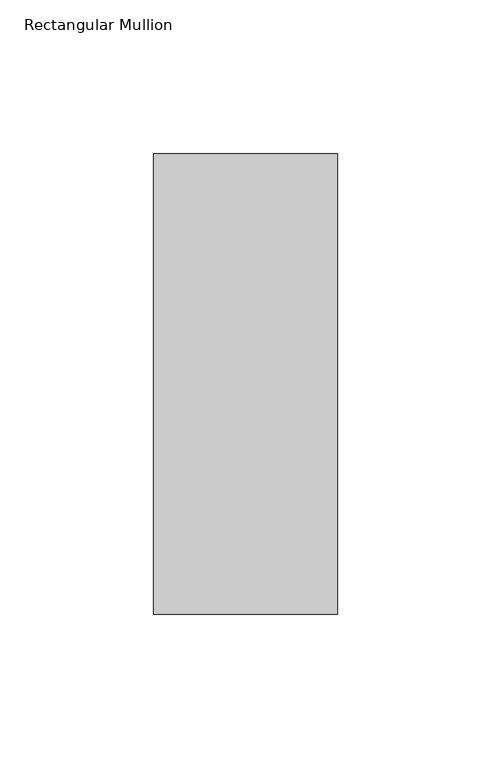
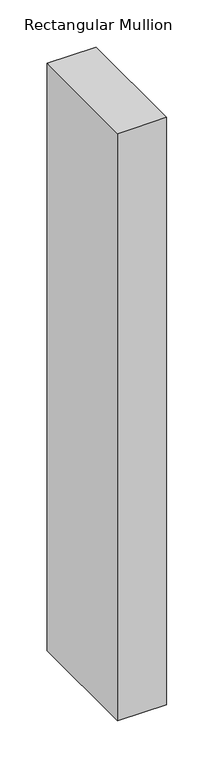
"""IFC4 building model written with IfcOpenShell, lengths in millimetres: member geometry, Rectangular Mullion."""

from ifc_helpers import new_model, si_unit, frame, origin, place, context, project, spatial, polyline, outline, extrude, source, transform, mapped, element, save


def rectangular_mullion_715885d1(model_context):
    return source(origin(), model_context, "Body", "SweptSolid", [
        extrude(outline(polyline([(0.0, 75.0), (0.0, -75.0), (-60.0, -75.0), (-60.0, 75.0), (0.0, 75.0)])), frame((0.0, 0.0, -760.0), z_axis=(0.0, 0.0, 1.0), x_axis=(1.0, 0.0, 0.0)), (0.0, 0.0, 1.0), 760.0),
    ])


if __name__ == "__main__":
    model = new_model("IFC4")
    model_context = context("Model", 3, world=origin())
    ifc_project = project(units=[si_unit("LENGTHUNIT", "METRE", prefix="MILLI")], contexts=[model_context])
    site = spatial("IfcSite", under=ifc_project)
    building = spatial("IfcBuilding", under=site)
    placement = place(None, origin())
    rectangular_mullion_shape = rectangular_mullion_715885d1(model_context)
    element("IfcMember", 1, ObjectType="Rectangular Mullion", at=placement, inside=building, context=model_context, shape_type="MappedRepresentation", body=[
        mapped(rectangular_mullion_shape, transform((0.0, 0.0, 0.0), x_axis=(1.0, 0.0, 0.0), y_axis=(0.0, 1.0, 0.0), z_axis=(0.0, 0.0, 1.0))),
    ])
    save(model, "model.ifc")
